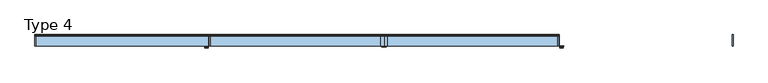
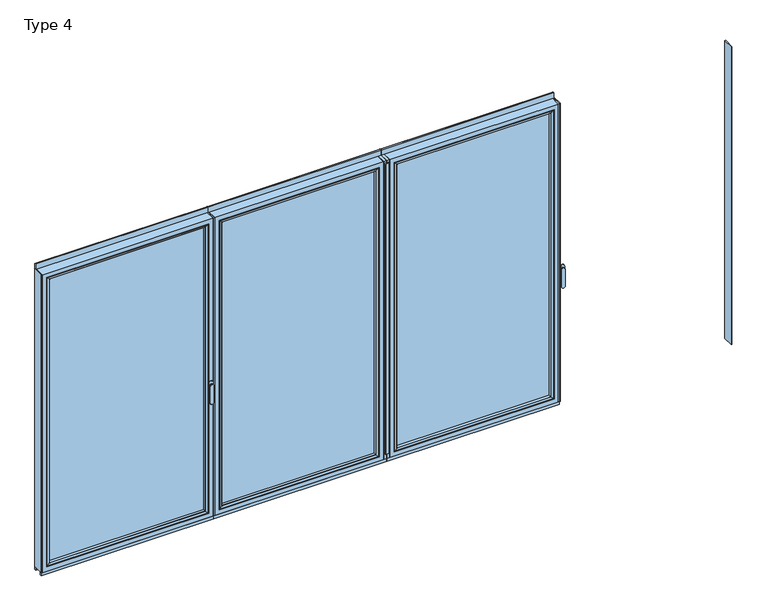
"""IFC4 building model written with IfcOpenShell, lengths in millimetres: window geometry, Type 4."""

from ifc_helpers import new_model, si_unit, point, frame, frame_2d, origin, place, context, project, spatial, polyline, circle_curve, ellipse_curve, trimmed, segment, composite_curve, outline, extrude, source, transform, mapped, element, save
from ifc_brep_helpers import plane_surface, cylinder_surface, extruded_surface, advanced_brep


def type_4_c70332df(model_context):
    return source(origin(), model_context, "Body", "SolidModel", [
        extrude(outline(polyline([(-1252.9999629, 20.0), (-1246.9999629, 20.0), (-1246.9999629, -60.0), (-1252.9999629, -60.0), (-1252.9999629, 20.0)])), frame((0.0, 0.0, 37.5), z_axis=(0.0, 0.0, 1.0), x_axis=(1.0, 0.0, 0.0)), (0.0, 0.0, 1.0), 2286.5),
        extrude(outline(polyline([(3.71e-05, 20.0), (3.71e-05, -60.0), (-22.4999629, -60.0), (-22.4999629, 20.0), (3.71e-05, 20.0)])), frame((0.0, 0.0, 37.5), z_axis=(0.0, 0.0, 1.0), x_axis=(1.0, 0.0, 0.0)), (0.0, 0.0, 1.0), 2286.5),
        advanced_brep(
        [(-1246.9999629, -60.0, 2324.0), (-1246.9999629, 20.0, 2324.0), (-1246.9999629, 20.0, 37.5), (-1246.9999629, -60.0, 37.5), (-22.4999629, 20.0, 37.5), (-22.4999629, -60.0, 37.5), (-22.4999629, 20.0, 2324.0), (-67.9995921, 20.0, 82.9996293), (-67.9995921, 20.0, 2278.5003707), (-1201.5003336, 20.0, 2278.5003707), (-1201.5003336, 20.0, 82.9996293), (-22.4999629, -60.0, 2324.0), (-1214.9999629, -60.0, 69.5), (-1214.9999629, -60.0, 2292.0), (-54.4999629, -60.0, 2292.0), (-54.4999629, -60.0, 69.5), (-1214.9999629, 3.9999997, 2292.0), (-1214.9999629, 3.9999997, 69.5), (-54.4999629, 3.9999997, 69.5), (-54.4999629, 3.9999997, 2292.0), (-1196.9999509, 3.9999997, 87.500012), (-1196.9999509, 3.9999997, 2273.999988), (-72.4999748, 3.9999997, 2273.999988), (-72.4999748, 3.9999997, 87.500012), (-1196.9999509, 15.4995565, 2273.999988), (-1196.9999509, 15.4995565, 87.500012), (-72.4999748, 15.4995565, 87.500012), (-72.4999748, 15.4995565, 2273.999988)],
        [
            (0, 1),
            (1, 2),
            (2, 3),
            (3, 0),
            (2, 4),
            (4, 5),
            (5, 3),
            (1, 6),
            (6, 4),
            (7, 8),
            (8, 9),
            (9, 10),
            (10, 7),
            (6, 11),
            (11, 5),
            (11, 0),
            (12, 13),
            (13, 14),
            (14, 15),
            (15, 12),
            (16, 13),
            (12, 17),
            (17, 16),
            (15, 18),
            (18, 17),
            (14, 19),
            (19, 18),
            (19, 16),
            (20, 21),
            (21, 22),
            (22, 23),
            (23, 20),
            (24, 21),
            (20, 25),
            (25, 24),
            (23, 26),
            (26, 25),
            (22, 27),
            (27, 26),
            (10, 25, ellipse_curve(frame((-1201.5003336, 15.4995565, 82.9996293), z_axis=(0.7071067811865475, 0.0, -0.7071067811865475), x_axis=(-0.7071067811865476, 0.0, -0.7071067811865474)), 6.3645023, 4.5003827)),
            (26, 7, ellipse_curve(frame((-67.9995921, 15.4995565, 82.9996293), z_axis=(-0.7071067811865475, 0.0, -0.7071067811865475), x_axis=(-0.7071067811865476, 0.0, 0.7071067811865474)), 6.3645023, 4.5003827)),
            (9, 24, ellipse_curve(frame((-1201.5003336, 15.4995565, 2278.5003707), z_axis=(-0.7071067811865475, 0.0, -0.7071067811865475), x_axis=(-0.7071067811865474, 0.0, 0.7071067811865476)), 6.3645023, 4.5003827)),
            (27, 8, ellipse_curve(frame((-67.9995921, 15.4995565, 2278.5003707), z_axis=(0.7071067811865475, 0.0, -0.7071067811865475), x_axis=(-0.7071067811865474, 0.0, -0.7071067811865476)), 6.3645023, 4.5003827)),
            (24, 27),
        ],
        [
            plane_surface(frame((-1246.9999629, 20.0, 2324.0), z_axis=(-1.0, 0.0, 0.0), x_axis=(0.0, 0.0, -1.0))),
            plane_surface(frame((-1246.9999629, 20.0, 37.5), z_axis=(0.0, 0.0, -1.0), x_axis=(1.0, 0.0, 0.0))),
            plane_surface(frame((-1201.5003336, 20.0, 2278.5003707), z_axis=(0.0, 1.0, 0.0), x_axis=(0.0, 0.0, -1.0))),
            plane_surface(frame((-22.4999629, 20.0, 37.5), z_axis=(1.0, 0.0, 0.0), x_axis=(0.0, 0.0, 1.0))),
            plane_surface(frame((-1246.9999629, -60.0, 2324.0), z_axis=(0.0, -1.0, 0.0), x_axis=(0.0, 0.0, -1.0))),
            plane_surface(frame((-1214.9999629, -60.0, 2292.0), z_axis=(1.0, 0.0, 0.0), x_axis=(0.0, 0.0, -1.0))),
            plane_surface(frame((-1214.9999629, -60.0, 69.5), z_axis=(0.0, 0.0, 1.0), x_axis=(1.0, 0.0, 0.0))),
            plane_surface(frame((-54.4999629, -60.0, 69.5), z_axis=(-1.0, 0.0, 0.0), x_axis=(0.0, 0.0, 1.0))),
            plane_surface(frame((-1214.9999629, 3.9999997, 2292.0), z_axis=(0.0, -1.0, 0.0), x_axis=(0.0, 0.0, -1.0))),
            plane_surface(frame((-1196.9999509, 3.9999997, 2273.999988), z_axis=(1.0, 0.0, 0.0), x_axis=(0.0, 0.0, -1.0))),
            plane_surface(frame((-1196.9999509, 3.9999997, 87.500012), z_axis=(0.0, 0.0, 1.0), x_axis=(1.0, 0.0, 0.0))),
            plane_surface(frame((-72.4999748, 3.9999997, 87.500012), z_axis=(-1.0, 0.0, 0.0), x_axis=(0.0, 0.0, 1.0))),
            cylinder_surface(frame((-1252.9999629, 15.4995565, 82.9996293), z_axis=(-1.0, 0.0, 0.0), x_axis=(0.0, -1.0, 0.0)), 4.5003827),
            cylinder_surface(frame((-1201.5003336, 15.4995565, 2330.0), z_axis=(0.0, 0.0, 1.0), x_axis=(0.0, -1.0, 0.0)), 4.5003827),
            cylinder_surface(frame((-67.9995921, 15.4995565, 31.5), z_axis=(0.0, 0.0, -1.0), x_axis=(0.0, -1.0, 0.0)), 4.5003827),
            plane_surface(frame((-22.4999629, 20.0, 2324.0), z_axis=(0.0, 0.0, 1.0), x_axis=(-1.0, 0.0, 0.0))),
            plane_surface(frame((-54.4999629, -60.0, 2292.0), z_axis=(0.0, 0.0, -1.0), x_axis=(-1.0, 0.0, 0.0))),
            plane_surface(frame((-72.4999748, 3.9999997, 2273.999988), z_axis=(0.0, 0.0, -1.0), x_axis=(-1.0, 0.0, 0.0))),
            cylinder_surface(frame((-16.4999629, 15.4995565, 2278.5003707), z_axis=(1.0, 0.0, 0.0), x_axis=(0.0, -1.0, 0.0)), 4.5003827),
        ],
        [
            (0, [[1, 2, 3, 4]]),
            (1, [[-3, 5, 6, 7]]),
            (2, [[-2, 8, 9, -5], [10, 11, 12, 13]]),
            (3, [[-6, -9, 14, 15]]),
            (4, [[-15, 16, -4, -7], [17, 18, 19, 20]]),
            (5, [[21, -17, 22, 23]]),
            (6, [[-22, -20, 24, 25]]),
            (7, [[-24, -19, 26, 27]]),
            (8, [[-27, 28, -23, -25], [29, 30, 31, 32]]),
            (9, [[33, -29, 34, 35]]),
            (10, [[-34, -32, 36, 37]]),
            (11, [[-36, -31, 38, 39]]),
            (12, [[40, -37, 41, -13]]),
            (13, [[42, -35, -40, -12]]),
            (14, [[-41, -39, 43, -10]]),
            (15, [[-14, -8, -1, -16]]),
            (16, [[-26, -18, -21, -28]]),
            (17, [[-38, -30, -33, 44]]),
            (18, [[-43, -44, -42, -11]]),
        ],
    ),
        extrude(outline(polyline([(-1214.9996457, 3.9999997), (-54.50028, 3.9999997), (-54.50028, -34.0000003), (-1214.9996457, -34.0000003), (-1214.9996457, 3.9999997)])), frame((0.0, 0.0, 69.5003172), z_axis=(0.0, 0.0, 1.0), x_axis=(1.0, 0.0, 0.0)), (0.0, 0.0, 1.0), 2222.4993657),
        advanced_brep(
        [(-76.4998528, -54.5552044, 2270.0001101), (-76.4998528, -34.0000003, 2270.0001101), (-76.4998528, -34.0000003, 91.4998899), (-76.4998528, -54.5552044, 91.4998899), (-54.50028, -34.0000003, 2291.9996828), (-54.50028, -34.0000003, 69.5003172), (-1214.9996457, -34.0000003, 69.5003172), (-1214.9996457, -34.0000003, 2291.9996828), (-1193.000073, -34.0000003, 2270.0001101), (-1193.000073, -34.0000003, 91.4998899), (-1193.000073, -54.5552044, 91.4998899), (-75.7903094, -55.8045072, 2270.7096535), (-75.7903094, -55.8045072, 90.7903465), (-1193.7096164, -55.8045072, 90.7903465), (-60.500219, -60.0, 2285.9997439), (-60.500219, -60.0, 75.5002561), (-1208.9997067, -60.0, 75.5002561), (-1214.9996457, -60.0, 2291.9996828), (-1214.9996457, -60.0, 69.5003172), (-54.50028, -60.0, 69.5003172), (-54.50028, -60.0, 2291.9996828), (-1208.9997067, -60.0, 2285.9997439), (-1193.000073, -54.5552044, 2270.0001101), (-1193.7096164, -55.8045072, 2270.7096535)],
        [
            (0, 1),
            (1, 2),
            (2, 3),
            (3, 0),
            (4, 5),
            (5, 6),
            (6, 7),
            (7, 4),
            (8, 9),
            (9, 2),
            (1, 8),
            (9, 10),
            (10, 3),
            (11, 0, ellipse_curve(frame((-75.0452488, -54.5552044, 2271.4547141), z_axis=(0.7071067811865475, 0.0, -0.7071067811865475), x_axis=(0.7071067811865474, 0.0, 0.7071067811865476)), 2.0571207, 1.454604)),
            (3, 12, ellipse_curve(frame((-75.0452488, -54.5552044, 90.0452859), z_axis=(0.7071067811865475, 0.0, 0.7071067811865475), x_axis=(-0.7071067811865474, 0.0, 0.7071067811865476)), 2.0571207, 1.454604)),
            (12, 11),
            (10, 13, ellipse_curve(frame((-1194.4546769, -54.5552044, 90.0452859), z_axis=(0.7071067811865475, 0.0, -0.7071067811865475), x_axis=(0.7071067811865476, 0.0, 0.7071067811865474)), 2.0571207, 1.454604)),
            (13, 12),
            (14, 11, ellipse_curve(frame((-60.5641546, -30.2735922, 2285.9358083), z_axis=(0.7071067811865475, 0.0, -0.7071067811865475), x_axis=(0.7071067811865474, 0.0, 0.7071067811865476)), 42.0395863, 29.7264765)),
            (12, 15, ellipse_curve(frame((-60.5641546, -30.2735922, 75.5641917), z_axis=(0.7071067811865475, 0.0, 0.7071067811865475), x_axis=(-0.7071067811865474, 0.0, 0.7071067811865476)), 42.0395863, 29.7264765)),
            (15, 14),
            (13, 16, ellipse_curve(frame((-1208.9357711, -30.2735922, 75.5641917), z_axis=(0.7071067811865475, 0.0, -0.7071067811865475), x_axis=(0.7071067811865476, 0.0, 0.7071067811865474)), 42.0395863, 29.7264765)),
            (16, 15),
            (17, 18),
            (18, 19),
            (19, 20),
            (20, 17),
            (16, 21),
            (21, 14),
            (4, 20),
            (19, 5),
            (18, 6),
            (8, 22),
            (22, 10),
            (22, 23, ellipse_curve(frame((-1194.4546769, -54.5552044, 2271.4547141), z_axis=(-0.7071067811865475, 0.0, -0.7071067811865475), x_axis=(0.7071067811865474, 0.0, -0.7071067811865476)), 2.0571207, 1.454604)),
            (23, 13),
            (23, 21, ellipse_curve(frame((-1208.9357711, -30.2735922, 2285.9358083), z_axis=(-0.7071067811865475, 0.0, -0.7071067811865475), x_axis=(0.7071067811865474, 0.0, -0.7071067811865476)), 42.0395863, 29.7264765)),
            (17, 7),
            (0, 22),
            (11, 23),
        ],
        [
            plane_surface(frame((-76.4998528, -34.0000003, 2270.0001101), z_axis=(-1.0, 0.0, 0.0), x_axis=(0.0, 0.0, -1.0))),
            plane_surface(frame((-1214.9996457, -34.0000003, 69.5003172), z_axis=(0.0, 1.0, 0.0), x_axis=(0.0, 0.0, 1.0))),
            plane_surface(frame((-76.4998528, -34.0000003, 91.4998899), z_axis=(0.0, 0.0, 1.0), x_axis=(-1.0, 0.0, 0.0))),
            cylinder_surface(frame((-75.0452488, -54.5552044, 2273.999988), z_axis=(0.0, 0.0, 1.0), x_axis=(1.0, 0.0, 0.0)), 1.454604),
            cylinder_surface(frame((-72.4999748, -54.5552044, 90.0452859), z_axis=(1.0, 0.0, 0.0), x_axis=(0.0, 0.0, -1.0)), 1.454604),
            cylinder_surface(frame((-60.5641546, -30.2735922, 2273.999988), z_axis=(0.0, 0.0, 1.0), x_axis=(1.0, 0.0, 0.0)), 29.7264765),
            cylinder_surface(frame((-72.4999748, -30.2735922, 75.5641917), z_axis=(1.0, 0.0, 0.0), x_axis=(0.0, 0.0, -1.0)), 29.7264765),
            plane_surface(frame((-1208.9997067, -60.0, 75.5002561), z_axis=(0.0, -1.0, 0.0), x_axis=(0.0, 0.0, 1.0))),
            plane_surface(frame((-54.50028, -60.0, 2291.9996828), z_axis=(1.0, 0.0, 0.0), x_axis=(0.0, 0.0, -1.0))),
            plane_surface(frame((-54.50028, -60.0, 69.5003172), z_axis=(0.0, 0.0, -1.0), x_axis=(-1.0, 0.0, 0.0))),
            plane_surface(frame((-1193.000073, -34.0000003, 91.4998899), z_axis=(1.0, 0.0, 0.0), x_axis=(0.0, 0.0, 1.0))),
            cylinder_surface(frame((-1194.4546769, -54.5552044, 87.500012), z_axis=(0.0, 0.0, -1.0), x_axis=(-1.0, 0.0, 0.0)), 1.454604),
            cylinder_surface(frame((-1208.9357711, -30.2735922, 87.500012), z_axis=(0.0, 0.0, -1.0), x_axis=(-1.0, 0.0, 0.0)), 29.7264765),
            plane_surface(frame((-1214.9996457, -60.0, 69.5003172), z_axis=(-1.0, 0.0, 0.0), x_axis=(0.0, 0.0, 1.0))),
            plane_surface(frame((-1193.000073, -34.0000003, 2270.0001101), z_axis=(0.0, 0.0, -1.0), x_axis=(1.0, 0.0, 0.0))),
            cylinder_surface(frame((-1196.9999509, -54.5552044, 2271.4547141), z_axis=(-1.0, 0.0, 0.0), x_axis=(0.0, 0.0, 1.0)), 1.454604),
            cylinder_surface(frame((-1196.9999509, -30.2735922, 2285.9358083), z_axis=(-1.0, 0.0, 0.0), x_axis=(0.0, 0.0, 1.0)), 29.7264765),
            plane_surface(frame((-1214.9996457, -60.0, 2291.9996828), z_axis=(0.0, 0.0, 1.0), x_axis=(1.0, 0.0, 0.0))),
        ],
        [
            (0, [[1, 2, 3, 4]]),
            (1, [[5, 6, 7, 8], [9, 10, -2, 11]]),
            (2, [[-3, -10, 12, 13]]),
            (3, [[14, -4, 15, 16]]),
            (4, [[-15, -13, 17, 18]]),
            (5, [[19, -16, 20, 21]]),
            (6, [[-20, -18, 22, 23]]),
            (7, [[24, 25, 26, 27], [-21, -23, 28, 29]]),
            (8, [[30, -26, 31, -5]]),
            (9, [[-31, -25, 32, -6]]),
            (10, [[-12, -9, 33, 34]]),
            (11, [[-17, -34, 35, 36]]),
            (12, [[-22, -36, 37, -28]]),
            (13, [[-32, -24, 38, -7]]),
            (14, [[-33, -11, -1, 39]]),
            (15, [[-35, -39, -14, 40]]),
            (16, [[-37, -40, -19, -29]]),
            (17, [[-38, -27, -30, -8]]),
        ],
    ),
        extrude(outline(composite_curve([segment(polyline([(20.0, 2362.5), (20.0, 2324.0), (10.0, 2324.0), (10.0, 2365.0), (17.5, 2365.0)]), True, "CONTINUOUS"), segment(trimmed(circle_curve(frame_2d((17.5, 2362.5)), 2.5), [point((17.5, 2365.0))], [point((20.0, 2362.5))], False, "CARTESIAN"), True, "CONTINUOUS")], self_intersect=False)), frame((-1252.9999629, 0.0, 0.0), z_axis=(1.0, 0.0, 0.0), x_axis=(0.0, 1.0, 0.0)), (0.0, 0.0, 1.0), 1253.0),
        extrude(outline(polyline([(3.71e-05, 20.0), (3.71e-05, 10.0), (-1252.9999629, 10.0), (-1252.9999629, 20.0), (3.71e-05, 20.0)])), frame((0.0, 0.0, 15.5), z_axis=(0.0, 0.0, 1.0), x_axis=(1.0, 0.0, 0.0)), (0.0, 0.0, 1.0), 22.0),
        extrude(outline(polyline([(3.71e-05, -50.0), (3.71e-05, -60.0), (-1252.9999629, -60.0), (-1252.9999629, -50.0), (3.71e-05, -50.0)])), frame((0.0, 0.0, 15.5), z_axis=(0.0, 0.0, 1.0), x_axis=(1.0, 0.0, 0.0)), (0.0, 0.0, 1.0), 22.0),
        extrude(outline(composite_curve([segment(polyline([(15.5000124, -60.0), (15.5000124, -67.5)]), True, "CONTINUOUS"), segment(trimmed(circle_curve(frame_2d((13.0000124, -67.5)), 2.5), [point((15.5000124, -67.5))], [point((13.0000124, -70.0))], False, "CARTESIAN"), True, "CONTINUOUS"), segment(polyline([(13.0000124, -70.0), (-12.9999876, -70.0)]), True, "CONTINUOUS"), segment(trimmed(circle_curve(frame_2d((-12.9999876, -67.5)), 2.5), [point((-12.9999876, -70.0))], [point((-15.4999876, -67.5))], False, "CARTESIAN"), True, "CONTINUOUS"), segment(polyline([(-15.4999876, -67.5), (-15.4999876, -60.0), (15.5000124, -60.0)]), True, "CONTINUOUS")], self_intersect=False)), frame((0.0, 0.0, 80.0), z_axis=(0.0, 0.0, 1.0), x_axis=(1.0, 0.0, 0.0)), (0.0, 0.0, 1.0), 2230.0),
        extrude(outline(polyline([(1253.0000124, 20.0), (1253.0000124, -60.0), (1247.0000124, -60.0), (1247.0000124, 20.0), (1253.0000124, 20.0)])), frame((0.0, 0.0, 37.5), z_axis=(0.0, 0.0, 1.0), x_axis=(1.0, 0.0, 0.0)), (0.0, 0.0, 1.0), 2286.5),
        extrude(outline(polyline([(1.24e-05, 20.0), (22.5000124, 20.0), (22.5000124, -60.0), (1.24e-05, -60.0), (1.24e-05, 20.0)])), frame((0.0, 0.0, 37.5), z_axis=(0.0, 0.0, 1.0), x_axis=(1.0, 0.0, 0.0)), (0.0, 0.0, 1.0), 2286.5),
        advanced_brep(
        [(1247.0000124, -60.0, 2324.0), (1247.0000124, -60.0, 37.5), (1247.0000124, 20.0, 37.5), (1247.0000124, 20.0, 2324.0), (22.5000124, -60.0, 37.5), (22.5000124, 20.0, 37.5), (22.5000124, 20.0, 2324.0), (67.9996416, 20.0, 82.9996293), (1201.5003831, 20.0, 82.9996293), (1201.5003831, 20.0, 2278.5003707), (67.9996416, 20.0, 2278.5003707), (22.5000124, -60.0, 2324.0), (1215.0000124, -60.0, 69.5), (54.5000124, -60.0, 69.5), (54.5000124, -60.0, 2292.0), (1215.0000124, -60.0, 2292.0), (1215.0000124, 3.9999997, 2292.0), (1215.0000124, 3.9999997, 69.5), (54.5000124, 3.9999997, 69.5), (54.5000124, 3.9999997, 2292.0), (1197.0000004, 3.9999997, 87.500012), (72.5000243, 3.9999997, 87.500012), (72.5000243, 3.9999997, 2273.999988), (1197.0000004, 3.9999997, 2273.999988), (1197.0000004, 15.4995565, 2273.999988), (1197.0000004, 15.4995565, 87.500012), (72.5000243, 15.4995565, 87.500012), (72.5000243, 15.4995565, 2273.999988)],
        [
            (0, 1),
            (1, 2),
            (2, 3),
            (3, 0),
            (1, 4),
            (4, 5),
            (5, 2),
            (5, 6),
            (6, 3),
            (7, 8),
            (8, 9),
            (9, 10),
            (10, 7),
            (4, 11),
            (11, 6),
            (0, 11),
            (12, 13),
            (13, 14),
            (14, 15),
            (15, 12),
            (16, 17),
            (17, 12),
            (15, 16),
            (17, 18),
            (18, 13),
            (18, 19),
            (19, 14),
            (16, 19),
            (20, 21),
            (21, 22),
            (22, 23),
            (23, 20),
            (24, 25),
            (25, 20),
            (23, 24),
            (25, 26),
            (26, 21),
            (26, 27),
            (27, 22),
            (7, 26, ellipse_curve(frame((67.9996416, 15.4995565, 82.9996293), z_axis=(0.7071067811865475, 0.0, -0.7071067811865475), x_axis=(0.7071067811865476, 0.0, 0.7071067811865474)), 6.3645023, 4.5003827)),
            (25, 8, ellipse_curve(frame((1201.5003831, 15.4995565, 82.9996293), z_axis=(-0.7071067811865475, 0.0, -0.7071067811865475), x_axis=(0.7071067811865476, 0.0, -0.7071067811865474)), 6.3645023, 4.5003827)),
            (24, 9, ellipse_curve(frame((1201.5003831, 15.4995565, 2278.5003707), z_axis=(0.7071067811865475, 0.0, -0.7071067811865475), x_axis=(0.7071067811865474, 0.0, 0.7071067811865476)), 6.3645023, 4.5003827)),
            (10, 27, ellipse_curve(frame((67.9996416, 15.4995565, 2278.5003707), z_axis=(-0.7071067811865475, 0.0, -0.7071067811865475), x_axis=(0.7071067811865474, 0.0, -0.7071067811865476)), 6.3645023, 4.5003827)),
            (27, 24),
        ],
        [
            plane_surface(frame((1247.0000124, 20.0, 2324.0), z_axis=(1.0, 0.0, 0.0), x_axis=(0.0, 0.0, -1.0))),
            plane_surface(frame((1247.0000124, 20.0, 37.5), z_axis=(0.0, 0.0, -1.0), x_axis=(-1.0, 0.0, 0.0))),
            plane_surface(frame((1201.5003831, 20.0, 2278.5003707), z_axis=(0.0, 1.0, 0.0), x_axis=(0.0, 0.0, -1.0))),
            plane_surface(frame((22.5000124, 20.0, 37.5), z_axis=(-1.0, 0.0, 0.0), x_axis=(0.0, 0.0, 1.0))),
            plane_surface(frame((1247.0000124, -60.0, 2324.0), z_axis=(0.0, -1.0, 0.0), x_axis=(0.0, 0.0, -1.0))),
            plane_surface(frame((1215.0000124, -60.0, 2292.0), z_axis=(-1.0, 0.0, 0.0), x_axis=(0.0, 0.0, -1.0))),
            plane_surface(frame((1215.0000124, -60.0, 69.5), z_axis=(0.0, 0.0, 1.0), x_axis=(-1.0, 0.0, 0.0))),
            plane_surface(frame((54.5000124, -60.0, 69.5), z_axis=(1.0, 0.0, 0.0), x_axis=(0.0, 0.0, 1.0))),
            plane_surface(frame((1215.0000124, 3.9999997, 2292.0), z_axis=(0.0, -1.0, 0.0), x_axis=(0.0, 0.0, -1.0))),
            plane_surface(frame((1197.0000004, 3.9999997, 2273.999988), z_axis=(-1.0, 0.0, 0.0), x_axis=(0.0, 0.0, -1.0))),
            plane_surface(frame((1197.0000004, 3.9999997, 87.500012), z_axis=(0.0, 0.0, 1.0), x_axis=(-1.0, 0.0, 0.0))),
            plane_surface(frame((72.5000243, 3.9999997, 87.500012), z_axis=(1.0, 0.0, 0.0), x_axis=(0.0, 0.0, 1.0))),
            cylinder_surface(frame((1253.0000124, 15.4995565, 82.9996293), z_axis=(1.0, 0.0, 0.0), x_axis=(0.0, -1.0, 0.0)), 4.5003827),
            cylinder_surface(frame((1201.5003831, 15.4995565, 2330.0), z_axis=(0.0, 0.0, 1.0), x_axis=(0.0, -1.0, 0.0)), 4.5003827),
            cylinder_surface(frame((67.9996416, 15.4995565, 31.5), z_axis=(0.0, 0.0, -1.0), x_axis=(0.0, -1.0, 0.0)), 4.5003827),
            plane_surface(frame((22.5000124, 20.0, 2324.0), z_axis=(0.0, 0.0, 1.0), x_axis=(1.0, 0.0, 0.0))),
            plane_surface(frame((54.5000124, -60.0, 2292.0), z_axis=(0.0, 0.0, -1.0), x_axis=(1.0, 0.0, 0.0))),
            plane_surface(frame((72.5000243, 3.9999997, 2273.999988), z_axis=(0.0, 0.0, -1.0), x_axis=(1.0, 0.0, 0.0))),
            cylinder_surface(frame((16.5000124, 15.4995565, 2278.5003707), z_axis=(-1.0, 0.0, 0.0), x_axis=(0.0, -1.0, 0.0)), 4.5003827),
        ],
        [
            (0, [[1, 2, 3, 4]]),
            (1, [[5, 6, 7, -2]]),
            (2, [[-7, 8, 9, -3], [10, 11, 12, 13]]),
            (3, [[14, 15, -8, -6]]),
            (4, [[-5, -1, 16, -14], [17, 18, 19, 20]]),
            (5, [[21, 22, -20, 23]]),
            (6, [[24, 25, -17, -22]]),
            (7, [[26, 27, -18, -25]]),
            (8, [[-24, -21, 28, -26], [29, 30, 31, 32]]),
            (9, [[33, 34, -32, 35]]),
            (10, [[36, 37, -29, -34]]),
            (11, [[38, 39, -30, -37]]),
            (12, [[-10, 40, -36, 41]]),
            (13, [[-11, -41, -33, 42]]),
            (14, [[-13, 43, -38, -40]]),
            (15, [[-16, -4, -9, -15]]),
            (16, [[-28, -23, -19, -27]]),
            (17, [[44, -35, -31, -39]]),
            (18, [[-12, -42, -44, -43]]),
        ],
    ),
        extrude(outline(polyline([(1214.9996952, 3.9999997), (1214.9996952, -34.0000003), (54.5003295, -34.0000003), (54.5003295, 3.9999997), (1214.9996952, 3.9999997)])), frame((0.0, 0.0, 69.5003172), z_axis=(0.0, 0.0, 1.0), x_axis=(1.0, 0.0, 0.0)), (0.0, 0.0, 1.0), 2222.4993657),
        advanced_brep(
        [(76.4999023, -54.5552044, 2270.0001101), (76.4999023, -54.5552044, 91.4998899), (76.4999023, -34.0000003, 91.4998899), (76.4999023, -34.0000003, 2270.0001101), (54.5003295, -34.0000003, 2291.9996828), (1214.9996952, -34.0000003, 2291.9996828), (1214.9996952, -34.0000003, 69.5003172), (54.5003295, -34.0000003, 69.5003172), (1193.0001225, -34.0000003, 2270.0001101), (1193.0001225, -34.0000003, 91.4998899), (1193.0001225, -54.5552044, 91.4998899), (75.7903589, -55.8045072, 2270.7096535), (75.7903589, -55.8045072, 90.7903465), (1193.7096659, -55.8045072, 90.7903465), (60.5002685, -60.0, 2285.9997439), (60.5002685, -60.0, 75.5002561), (1208.9997563, -60.0, 75.5002561), (1214.9996952, -60.0, 2291.9996828), (54.5003295, -60.0, 2291.9996828), (54.5003295, -60.0, 69.5003172), (1214.9996952, -60.0, 69.5003172), (1208.9997563, -60.0, 2285.9997439), (1193.0001225, -54.5552044, 2270.0001101), (1193.7096659, -55.8045072, 2270.7096535)],
        [
            (0, 1),
            (1, 2),
            (2, 3),
            (3, 0),
            (4, 5),
            (5, 6),
            (6, 7),
            (7, 4),
            (8, 3),
            (2, 9),
            (9, 8),
            (1, 10),
            (10, 9),
            (11, 12),
            (12, 1, ellipse_curve(frame((75.0452983, -54.5552044, 90.0452859), z_axis=(-0.7071067811865475, 0.0, 0.7071067811865475), x_axis=(0.7071067811865474, 0.0, 0.7071067811865476)), 2.0571207, 1.454604)),
            (0, 11, ellipse_curve(frame((75.0452983, -54.5552044, 2271.4547141), z_axis=(-0.7071067811865475, 0.0, -0.7071067811865475), x_axis=(-0.7071067811865474, 0.0, 0.7071067811865476)), 2.0571207, 1.454604)),
            (12, 13),
            (13, 10, ellipse_curve(frame((1194.4547264, -54.5552044, 90.0452859), z_axis=(-0.7071067811865475, 0.0, -0.7071067811865475), x_axis=(-0.7071067811865476, 0.0, 0.7071067811865474)), 2.0571207, 1.454604)),
            (14, 15),
            (15, 12, ellipse_curve(frame((60.5642041, -30.2735922, 75.5641917), z_axis=(-0.7071067811865475, 0.0, 0.7071067811865475), x_axis=(0.7071067811865474, 0.0, 0.7071067811865476)), 42.0395863, 29.7264765)),
            (11, 14, ellipse_curve(frame((60.5642041, -30.2735922, 2285.9358083), z_axis=(-0.7071067811865475, 0.0, -0.7071067811865475), x_axis=(-0.7071067811865474, 0.0, 0.7071067811865476)), 42.0395863, 29.7264765)),
            (15, 16),
            (16, 13, ellipse_curve(frame((1208.9358207, -30.2735922, 75.5641917), z_axis=(-0.7071067811865475, 0.0, -0.7071067811865475), x_axis=(-0.7071067811865476, 0.0, 0.7071067811865474)), 42.0395863, 29.7264765)),
            (17, 18),
            (18, 19),
            (19, 20),
            (20, 17),
            (14, 21),
            (21, 16),
            (7, 19),
            (18, 4),
            (6, 20),
            (10, 22),
            (22, 8),
            (13, 23),
            (23, 22, ellipse_curve(frame((1194.4547264, -54.5552044, 2271.4547141), z_axis=(0.7071067811865475, 0.0, -0.7071067811865475), x_axis=(-0.7071067811865474, 0.0, -0.7071067811865476)), 2.0571207, 1.454604)),
            (21, 23, ellipse_curve(frame((1208.9358207, -30.2735922, 2285.9358083), z_axis=(0.7071067811865475, 0.0, -0.7071067811865475), x_axis=(-0.7071067811865474, 0.0, -0.7071067811865476)), 42.0395863, 29.7264765)),
            (5, 17),
            (22, 0),
            (23, 11),
        ],
        [
            plane_surface(frame((76.4999023, -34.0000003, 2270.0001101), z_axis=(1.0, 0.0, 0.0), x_axis=(0.0, 0.0, -1.0))),
            plane_surface(frame((1214.9996952, -34.0000003, 69.5003172), z_axis=(0.0, 1.0, 0.0), x_axis=(0.0, 0.0, 1.0))),
            plane_surface(frame((76.4999023, -34.0000003, 91.4998899), z_axis=(0.0, 0.0, 1.0), x_axis=(1.0, 0.0, 0.0))),
            cylinder_surface(frame((75.0452983, -54.5552044, 2273.999988), z_axis=(0.0, 0.0, 1.0), x_axis=(-1.0, 0.0, 0.0)), 1.454604),
            cylinder_surface(frame((72.5000243, -54.5552044, 90.0452859), z_axis=(-1.0, 0.0, 0.0), x_axis=(0.0, 0.0, -1.0)), 1.454604),
            cylinder_surface(frame((60.5642041, -30.2735922, 2273.999988), z_axis=(0.0, 0.0, 1.0), x_axis=(-1.0, 0.0, 0.0)), 29.7264765),
            cylinder_surface(frame((72.5000243, -30.2735922, 75.5641917), z_axis=(-1.0, 0.0, 0.0), x_axis=(0.0, 0.0, -1.0)), 29.7264765),
            plane_surface(frame((1208.9997563, -60.0, 75.5002561), z_axis=(0.0, -1.0, 0.0), x_axis=(0.0, 0.0, 1.0))),
            plane_surface(frame((54.5003295, -60.0, 2291.9996828), z_axis=(-1.0, 0.0, 0.0), x_axis=(0.0, 0.0, -1.0))),
            plane_surface(frame((54.5003295, -60.0, 69.5003172), z_axis=(0.0, 0.0, -1.0), x_axis=(1.0, 0.0, 0.0))),
            plane_surface(frame((1193.0001225, -34.0000003, 91.4998899), z_axis=(-1.0, 0.0, 0.0), x_axis=(0.0, 0.0, 1.0))),
            cylinder_surface(frame((1194.4547264, -54.5552044, 87.500012), z_axis=(0.0, 0.0, -1.0), x_axis=(1.0, 0.0, 0.0)), 1.454604),
            cylinder_surface(frame((1208.9358207, -30.2735922, 87.500012), z_axis=(0.0, 0.0, -1.0), x_axis=(1.0, 0.0, 0.0)), 29.7264765),
            plane_surface(frame((1214.9996952, -60.0, 69.5003172), z_axis=(1.0, 0.0, 0.0), x_axis=(0.0, 0.0, 1.0))),
            plane_surface(frame((1193.0001225, -34.0000003, 2270.0001101), z_axis=(0.0, 0.0, -1.0), x_axis=(-1.0, 0.0, 0.0))),
            cylinder_surface(frame((1197.0000004, -54.5552044, 2271.4547141), z_axis=(1.0, 0.0, 0.0), x_axis=(0.0, 0.0, 1.0)), 1.454604),
            cylinder_surface(frame((1197.0000004, -30.2735922, 2285.9358083), z_axis=(1.0, 0.0, 0.0), x_axis=(0.0, 0.0, 1.0)), 29.7264765),
            plane_surface(frame((1214.9996952, -60.0, 2291.9996828), z_axis=(0.0, 0.0, 1.0), x_axis=(-1.0, 0.0, 0.0))),
        ],
        [
            (0, [[1, 2, 3, 4]]),
            (1, [[5, 6, 7, 8], [9, -3, 10, 11]]),
            (2, [[12, 13, -10, -2]]),
            (3, [[14, 15, -1, 16]]),
            (4, [[17, 18, -12, -15]]),
            (5, [[19, 20, -14, 21]]),
            (6, [[22, 23, -17, -20]]),
            (7, [[24, 25, 26, 27], [28, 29, -22, -19]]),
            (8, [[-8, 30, -25, 31]]),
            (9, [[-7, 32, -26, -30]]),
            (10, [[33, 34, -11, -13]]),
            (11, [[35, 36, -33, -18]]),
            (12, [[-29, 37, -35, -23]]),
            (13, [[-6, 38, -27, -32]]),
            (14, [[39, -4, -9, -34]]),
            (15, [[40, -16, -39, -36]]),
            (16, [[-28, -21, -40, -37]]),
            (17, [[-5, -31, -24, -38]]),
        ],
    ),
        extrude(outline(composite_curve([segment(polyline([(20.0, 2362.5), (20.0, 2324.0), (10.0, 2324.0), (10.0, 2365.0), (17.5, 2365.0)]), True, "CONTINUOUS"), segment(trimmed(circle_curve(frame_2d((17.5, 2362.5)), 2.5), [point((17.5, 2365.0))], [point((20.0, 2362.5))], False, "CARTESIAN"), True, "CONTINUOUS")], self_intersect=False)), frame((1.24e-05, 0.0, 0.0), z_axis=(1.0, 0.0, 0.0), x_axis=(0.0, 1.0, 0.0)), (0.0, 0.0, 1.0), 1253.0),
        extrude(outline(polyline([(1.24e-05, 20.0), (1253.0000124, 20.0), (1253.0000124, 10.0), (1.24e-05, 10.0), (1.24e-05, 20.0)])), frame((0.0, 0.0, 15.5), z_axis=(0.0, 0.0, 1.0), x_axis=(1.0, 0.0, 0.0)), (0.0, 0.0, 1.0), 22.0),
        extrude(outline(polyline([(1.24e-05, -50.0), (1253.0000124, -50.0), (1253.0000124, -60.0), (1.24e-05, -60.0), (1.24e-05, -50.0)])), frame((0.0, 0.0, 15.5), z_axis=(0.0, 0.0, 1.0), x_axis=(1.0, 0.0, 0.0)), (0.0, 0.0, 1.0), 22.0),
        advanced_brep(
        [(-1286.9885813, -63.5, 1050.0), (-1263.0113197, -63.5, 1050.0), (-1263.0113197, -66.8965533, 1050.0), (-1286.9885813, -66.8965533, 1050.0), (-1286.9885813, -74.5, 1050.0), (-1286.9885813, -74.5, 918.6867153), (-1263.0113197, -74.5, 918.6867153), (-1263.0113197, -74.5, 1050.0), (-1263.0113197, -66.8965533, 918.6867153), (-1286.9885813, -66.8965533, 918.6867153)],
        [
            (0, 1, circle_curve(frame((-1274.9999505, -63.5, 1050.0), z_axis=(0.0, 1.0, 0.0), x_axis=(1.0, 0.0, 0.0)), 11.9886308)),
            (1, 0, circle_curve(frame((-1274.9999505, -63.5, 1050.0), z_axis=(0.0, 1.0, 0.0), x_axis=(1.0, 0.0, 0.0)), 11.9886308)),
            (1, 2),
            (2, 3, circle_curve(frame((-1274.9999505, -66.8965533, 1050.0), z_axis=(0.0, 1.0, 0.0), x_axis=(1.0, 0.0, 0.0)), 11.9886308)),
            (3, 0),
            (3, 2, circle_curve(frame((-1274.9999505, -66.8965533, 1050.0), z_axis=(0.0, 1.0, 0.0), x_axis=(1.0, 0.0, 0.0)), 11.9886308)),
            (4, 5),
            (5, 6, ellipse_curve(frame((-1274.9999505, -74.5, 918.6867153), z_axis=(0.0, -1.0, 0.0), x_axis=(-1.0, 0.0, 0.0)), 11.9886308, 7.9050795)),
            (6, 7),
            (7, 4, circle_curve(frame((-1274.9999505, -74.5, 1050.0), z_axis=(0.0, -1.0, 0.0), x_axis=(1.0, 0.0, 0.0)), 11.9886308)),
            (2, 8),
            (8, 9, ellipse_curve(frame((-1274.9999505, -66.8965533, 918.6867153), z_axis=(0.0, 1.0, 0.0), x_axis=(-1.0, 0.0, 0.0)), 11.9886308, 7.9050795)),
            (9, 3),
            (4, 3),
            (9, 5),
            (8, 6),
            (2, 7),
        ],
        [
            plane_surface(frame((-1263.0113197, -63.5, 1050.0), z_axis=(0.0, 1.0, 0.0), x_axis=(0.0, 0.0, -1.0))),
            cylinder_surface(frame((-1274.9999505, -63.5, 1050.0), z_axis=(0.0, -1.0, 0.0), x_axis=(1.0, 0.0, 0.0)), 11.9886308),
            plane_surface(frame((-1286.9885813, -74.5, 928.3382074), z_axis=(0.0, -1.0, 0.0), x_axis=(0.0, 0.0, -1.0))),
            plane_surface(frame((-1286.9885813, -66.8965533, 928.3382074), z_axis=(0.0, 1.0, 0.0), x_axis=(0.0, 0.0, 1.0))),
            plane_surface(frame((-1286.9885813, -74.5, 1050.0), z_axis=(-1.0, 0.0, 0.0), x_axis=(0.0, 1.0, 0.0))),
            extruded_surface(trimmed(ellipse_curve(frame((-1274.9999505, -59.2931066, 918.6867153), z_axis=(0.0, -1.0, 0.0), x_axis=(-1.0, 0.0, 0.0)), 11.9886308, 7.9050795), [point((-1286.9885813, -59.2931066, 918.6867153))], [point((-1263.0113197, -59.2931066, 918.6867153))], True, "CARTESIAN"), (0.0, -7.603446699999992, 0.0), 7.603446699999992),
            plane_surface(frame((-1263.0113197, -74.5, 918.6867153), z_axis=(1.0, 0.0, 0.0), x_axis=(0.0, 1.0, 0.0))),
            cylinder_surface(frame((-1274.9999505, -66.8965533, 1050.0), z_axis=(0.0, -1.0, 0.0), x_axis=(1.0, 0.0, 0.0)), 11.9886308),
        ],
        [
            (0, [[1, 2]]),
            (1, [[-2, 3, 4, 5]]),
            (1, [[-1, -5, 6, -3]]),
            (2, [[7, 8, 9, 10]]),
            (3, [[11, 12, 13, -4]]),
            (4, [[-7, 14, -13, 15]]),
            (5, [[-8, -15, -12, 16]]),
            (6, [[-9, -16, -11, 17]]),
            (7, [[-10, -17, -6, -14]]),
        ],
    ),
        extrude(outline(composite_curve([segment(polyline([(1068.75, -1288.9999505), (1031.25, -1288.9999505)]), True, "CONTINUOUS"), segment(trimmed(circle_curve(frame_2d((1031.25, -1274.9999505)), 14.0), [point((1031.25, -1288.9999505))], [point((1031.25, -1260.9999505))], False, "CARTESIAN"), True, "CONTINUOUS"), segment(polyline([(1031.25, -1260.9999505), (1068.75, -1260.9999505)]), True, "CONTINUOUS"), segment(trimmed(circle_curve(frame_2d((1068.75, -1274.9999505)), 14.0), [point((1068.75, -1260.9999505))], [point((1068.75, -1288.9999505))], False, "CARTESIAN"), True, "CONTINUOUS")], self_intersect=False)), frame((0.0, -63.5, 0.0), z_axis=(0.0, 1.0, 0.0), x_axis=(0.0, 0.0, 1.0)), (0.0, 0.0, 1.0), 3.5),
        extrude(outline(polyline([(-2505.9999505, 20.0), (-2499.9999505, 20.0), (-2499.9999505, -60.0), (-2505.9999505, -60.0), (-2505.9999505, 20.0)])), frame((0.0, 0.0, 37.5), z_axis=(0.0, 0.0, 1.0), x_axis=(1.0, 0.0, 0.0)), (0.0, 0.0, 1.0), 2286.5),
        extrude(outline(polyline([(-1252.9999505, 20.0), (-1252.9999505, -60.0), (-1258.9999505, -60.0), (-1258.9999505, 20.0), (-1252.9999505, 20.0)])), frame((0.0, 0.0, 37.5), z_axis=(0.0, 0.0, 1.0), x_axis=(1.0, 0.0, 0.0)), (0.0, 0.0, 1.0), 2286.5),
        advanced_brep(
        [(-2499.9999505, -60.0, 2324.0), (-2499.9999505, 20.0, 2324.0), (-2499.9999505, 20.0, 37.5), (-2499.9999505, -60.0, 37.5), (-1258.9999505, 20.0, 37.5), (-1258.9999505, -60.0, 37.5), (-1258.9999505, 20.0, 2324.0), (-1304.4995798, 20.0, 82.9996293), (-1304.4995798, 20.0, 2278.5003707), (-2454.5003212, 20.0, 2278.5003707), (-2454.5003212, 20.0, 82.9996293), (-1258.9999505, -60.0, 2324.0), (-2467.9999505, -60.0, 69.5), (-2467.9999505, -60.0, 2292.0), (-1290.9999505, -60.0, 2292.0), (-1290.9999505, -60.0, 69.5), (-2467.9999505, 3.9999997, 2292.0), (-2467.9999505, 3.9999997, 69.5), (-1290.9999505, 3.9999997, 69.5), (-1290.9999505, 3.9999997, 2292.0), (-2449.9999385, 3.9999997, 87.500012), (-2449.9999385, 3.9999997, 2273.999988), (-1308.9999624, 3.9999997, 2273.999988), (-1308.9999624, 3.9999997, 87.500012), (-2449.9999385, 15.4995565, 2273.999988), (-2449.9999385, 15.4995565, 87.500012), (-1308.9999624, 15.4995565, 87.500012), (-1308.9999624, 15.4995565, 2273.999988)],
        [
            (0, 1),
            (1, 2),
            (2, 3),
            (3, 0),
            (2, 4),
            (4, 5),
            (5, 3),
            (1, 6),
            (6, 4),
            (7, 8),
            (8, 9),
            (9, 10),
            (10, 7),
            (6, 11),
            (11, 5),
            (11, 0),
            (12, 13),
            (13, 14),
            (14, 15),
            (15, 12),
            (16, 13),
            (12, 17),
            (17, 16),
            (15, 18),
            (18, 17),
            (14, 19),
            (19, 18),
            (19, 16),
            (20, 21),
            (21, 22),
            (22, 23),
            (23, 20),
            (24, 21),
            (20, 25),
            (25, 24),
            (23, 26),
            (26, 25),
            (22, 27),
            (27, 26),
            (10, 25, ellipse_curve(frame((-2454.5003212, 15.4995565, 82.9996293), z_axis=(0.7071067811865475, 0.0, -0.7071067811865475), x_axis=(-0.7071067811865476, 0.0, -0.7071067811865474)), 6.3645023, 4.5003827)),
            (26, 7, ellipse_curve(frame((-1304.4995798, 15.4995565, 82.9996293), z_axis=(-0.7071067811865475, 0.0, -0.7071067811865475), x_axis=(-0.7071067811865476, 0.0, 0.7071067811865474)), 6.3645023, 4.5003827)),
            (9, 24, ellipse_curve(frame((-2454.5003212, 15.4995565, 2278.5003707), z_axis=(-0.7071067811865475, 0.0, -0.7071067811865475), x_axis=(-0.7071067811865474, 0.0, 0.7071067811865476)), 6.3645023, 4.5003827)),
            (27, 8, ellipse_curve(frame((-1304.4995798, 15.4995565, 2278.5003707), z_axis=(0.7071067811865475, 0.0, -0.7071067811865475), x_axis=(-0.7071067811865474, 0.0, -0.7071067811865476)), 6.3645023, 4.5003827)),
            (24, 27),
        ],
        [
            plane_surface(frame((-2499.9999505, 20.0, 2324.0), z_axis=(-1.0, 0.0, 0.0), x_axis=(0.0, 0.0, -1.0))),
            plane_surface(frame((-2499.9999505, 20.0, 37.5), z_axis=(0.0, 0.0, -1.0), x_axis=(1.0, 0.0, 0.0))),
            plane_surface(frame((-2454.5003212, 20.0, 2278.5003707), z_axis=(0.0, 1.0, 0.0), x_axis=(0.0, 0.0, -1.0))),
            plane_surface(frame((-1258.9999505, 20.0, 37.5), z_axis=(1.0, 0.0, 0.0), x_axis=(0.0, 0.0, 1.0))),
            plane_surface(frame((-2499.9999505, -60.0, 2324.0), z_axis=(0.0, -1.0, 0.0), x_axis=(0.0, 0.0, -1.0))),
            plane_surface(frame((-2467.9999505, -60.0, 2292.0), z_axis=(1.0, 0.0, 0.0), x_axis=(0.0, 0.0, -1.0))),
            plane_surface(frame((-2467.9999505, -60.0, 69.5), z_axis=(0.0, 0.0, 1.0), x_axis=(1.0, 0.0, 0.0))),
            plane_surface(frame((-1290.9999505, -60.0, 69.5), z_axis=(-1.0, 0.0, 0.0), x_axis=(0.0, 0.0, 1.0))),
            plane_surface(frame((-2467.9999505, 3.9999997, 2292.0), z_axis=(0.0, -1.0, 0.0), x_axis=(0.0, 0.0, -1.0))),
            plane_surface(frame((-2449.9999385, 3.9999997, 2273.999988), z_axis=(1.0, 0.0, 0.0), x_axis=(0.0, 0.0, -1.0))),
            plane_surface(frame((-2449.9999385, 3.9999997, 87.500012), z_axis=(0.0, 0.0, 1.0), x_axis=(1.0, 0.0, 0.0))),
            plane_surface(frame((-1308.9999624, 3.9999997, 87.500012), z_axis=(-1.0, 0.0, 0.0), x_axis=(0.0, 0.0, 1.0))),
            cylinder_surface(frame((-2505.9999505, 15.4995565, 82.9996293), z_axis=(-1.0, 0.0, 0.0), x_axis=(0.0, -1.0, 0.0)), 4.5003827),
            cylinder_surface(frame((-2454.5003212, 15.4995565, 2330.0), z_axis=(0.0, 0.0, 1.0), x_axis=(0.0, -1.0, 0.0)), 4.5003827),
            cylinder_surface(frame((-1304.4995798, 15.4995565, 31.5), z_axis=(0.0, 0.0, -1.0), x_axis=(0.0, -1.0, 0.0)), 4.5003827),
            plane_surface(frame((-1258.9999505, 20.0, 2324.0), z_axis=(0.0, 0.0, 1.0), x_axis=(-1.0, 0.0, 0.0))),
            plane_surface(frame((-1290.9999505, -60.0, 2292.0), z_axis=(0.0, 0.0, -1.0), x_axis=(-1.0, 0.0, 0.0))),
            plane_surface(frame((-1308.9999624, 3.9999997, 2273.999988), z_axis=(0.0, 0.0, -1.0), x_axis=(-1.0, 0.0, 0.0))),
            cylinder_surface(frame((-1252.9999505, 15.4995565, 2278.5003707), z_axis=(1.0, 0.0, 0.0), x_axis=(0.0, -1.0, 0.0)), 4.5003827),
        ],
        [
            (0, [[1, 2, 3, 4]]),
            (1, [[-3, 5, 6, 7]]),
            (2, [[-2, 8, 9, -5], [10, 11, 12, 13]]),
            (3, [[-6, -9, 14, 15]]),
            (4, [[-15, 16, -4, -7], [17, 18, 19, 20]]),
            (5, [[21, -17, 22, 23]]),
            (6, [[-22, -20, 24, 25]]),
            (7, [[-24, -19, 26, 27]]),
            (8, [[-27, 28, -23, -25], [29, 30, 31, 32]]),
            (9, [[33, -29, 34, 35]]),
            (10, [[-34, -32, 36, 37]]),
            (11, [[-36, -31, 38, 39]]),
            (12, [[40, -37, 41, -13]]),
            (13, [[42, -35, -40, -12]]),
            (14, [[-41, -39, 43, -10]]),
            (15, [[-14, -8, -1, -16]]),
            (16, [[-26, -18, -21, -28]]),
            (17, [[-38, -30, -33, 44]]),
            (18, [[-43, -44, -42, -11]]),
        ],
    ),
        extrude(outline(polyline([(-2467.9996333, 3.9999997), (-1291.0002676, 3.9999997), (-1291.0002676, -34.0000003), (-2467.9996333, -34.0000003), (-2467.9996333, 3.9999997)])), frame((0.0, 0.0, 69.5003172), z_axis=(0.0, 0.0, 1.0), x_axis=(1.0, 0.0, 0.0)), (0.0, 0.0, 1.0), 2222.4993657),
        advanced_brep(
        [(-1312.9998404, -54.5552044, 2270.0001101), (-1312.9998404, -34.0000003, 2270.0001101), (-1312.9998404, -34.0000003, 91.4998899), (-1312.9998404, -54.5552044, 91.4998899), (-1291.0002676, -34.0000003, 2291.9996828), (-1291.0002676, -34.0000003, 69.5003172), (-2467.9996333, -34.0000003, 69.5003172), (-2467.9996333, -34.0000003, 2291.9996828), (-2446.0000606, -34.0000003, 2270.0001101), (-2446.0000606, -34.0000003, 91.4998899), (-2446.0000606, -54.5552044, 91.4998899), (-1312.290297, -55.8045072, 2270.7096535), (-1312.290297, -55.8045072, 90.7903465), (-2446.709604, -55.8045072, 90.7903465), (-1297.0002066, -60.0, 2285.9997439), (-1297.0002066, -60.0, 75.5002561), (-2461.9996944, -60.0, 75.5002561), (-2467.9996333, -60.0, 2291.9996828), (-2467.9996333, -60.0, 69.5003172), (-1291.0002676, -60.0, 69.5003172), (-1291.0002676, -60.0, 2291.9996828), (-2461.9996944, -60.0, 2285.9997439), (-2446.0000606, -54.5552044, 2270.0001101), (-2446.709604, -55.8045072, 2270.7096535)],
        [
            (0, 1),
            (1, 2),
            (2, 3),
            (3, 0),
            (4, 5),
            (5, 6),
            (6, 7),
            (7, 4),
            (8, 9),
            (9, 2),
            (1, 8),
            (9, 10),
            (10, 3),
            (11, 0, ellipse_curve(frame((-1311.5452364, -54.5552044, 2271.4547141), z_axis=(0.7071067811865475, 0.0, -0.7071067811865475), x_axis=(0.7071067811865474, 0.0, 0.7071067811865476)), 2.0571207, 1.454604)),
            (3, 12, ellipse_curve(frame((-1311.5452364, -54.5552044, 90.0452859), z_axis=(0.7071067811865475, 0.0, 0.7071067811865475), x_axis=(-0.7071067811865474, 0.0, 0.7071067811865476)), 2.0571207, 1.454604)),
            (12, 11),
            (10, 13, ellipse_curve(frame((-2447.4546645, -54.5552044, 90.0452859), z_axis=(0.7071067811865475, 0.0, -0.7071067811865475), x_axis=(0.7071067811865476, 0.0, 0.7071067811865474)), 2.0571207, 1.454604)),
            (13, 12),
            (14, 11, ellipse_curve(frame((-1297.0641422, -30.2735922, 2285.9358083), z_axis=(0.7071067811865475, 0.0, -0.7071067811865475), x_axis=(0.7071067811865474, 0.0, 0.7071067811865476)), 42.0395863, 29.7264765)),
            (12, 15, ellipse_curve(frame((-1297.0641422, -30.2735922, 75.5641917), z_axis=(0.7071067811865475, 0.0, 0.7071067811865475), x_axis=(-0.7071067811865474, 0.0, 0.7071067811865476)), 42.0395863, 29.7264765)),
            (15, 14),
            (13, 16, ellipse_curve(frame((-2461.9357588, -30.2735922, 75.5641917), z_axis=(0.7071067811865475, 0.0, -0.7071067811865475), x_axis=(0.7071067811865476, 0.0, 0.7071067811865474)), 42.0395863, 29.7264765)),
            (16, 15),
            (17, 18),
            (18, 19),
            (19, 20),
            (20, 17),
            (16, 21),
            (21, 14),
            (4, 20),
            (19, 5),
            (18, 6),
            (8, 22),
            (22, 10),
            (22, 23, ellipse_curve(frame((-2447.4546645, -54.5552044, 2271.4547141), z_axis=(-0.7071067811865475, 0.0, -0.7071067811865475), x_axis=(0.7071067811865474, 0.0, -0.7071067811865476)), 2.0571207, 1.454604)),
            (23, 13),
            (23, 21, ellipse_curve(frame((-2461.9357588, -30.2735922, 2285.9358083), z_axis=(-0.7071067811865475, 0.0, -0.7071067811865475), x_axis=(0.7071067811865474, 0.0, -0.7071067811865476)), 42.0395863, 29.7264765)),
            (17, 7),
            (0, 22),
            (11, 23),
        ],
        [
            plane_surface(frame((-1312.9998404, -34.0000003, 2270.0001101), z_axis=(-1.0, 0.0, 0.0), x_axis=(0.0, 0.0, -1.0))),
            plane_surface(frame((-2467.9996333, -34.0000003, 69.5003172), z_axis=(0.0, 1.0, 0.0), x_axis=(0.0, 0.0, 1.0))),
            plane_surface(frame((-1312.9998404, -34.0000003, 91.4998899), z_axis=(0.0, 0.0, 1.0), x_axis=(-1.0, 0.0, 0.0))),
            cylinder_surface(frame((-1311.5452364, -54.5552044, 2273.999988), z_axis=(0.0, 0.0, 1.0), x_axis=(1.0, 0.0, 0.0)), 1.454604),
            cylinder_surface(frame((-1308.9999624, -54.5552044, 90.0452859), z_axis=(1.0, 0.0, 0.0), x_axis=(0.0, 0.0, -1.0)), 1.454604),
            cylinder_surface(frame((-1297.0641422, -30.2735922, 2273.999988), z_axis=(0.0, 0.0, 1.0), x_axis=(1.0, 0.0, 0.0)), 29.7264765),
            cylinder_surface(frame((-1308.9999624, -30.2735922, 75.5641917), z_axis=(1.0, 0.0, 0.0), x_axis=(0.0, 0.0, -1.0)), 29.7264765),
            plane_surface(frame((-2461.9996944, -60.0, 75.5002561), z_axis=(0.0, -1.0, 0.0), x_axis=(0.0, 0.0, 1.0))),
            plane_surface(frame((-1291.0002676, -60.0, 2291.9996828), z_axis=(1.0, 0.0, 0.0), x_axis=(0.0, 0.0, -1.0))),
            plane_surface(frame((-1291.0002676, -60.0, 69.5003172), z_axis=(0.0, 0.0, -1.0), x_axis=(-1.0, 0.0, 0.0))),
            plane_surface(frame((-2446.0000606, -34.0000003, 91.4998899), z_axis=(1.0, 0.0, 0.0), x_axis=(0.0, 0.0, 1.0))),
            cylinder_surface(frame((-2447.4546645, -54.5552044, 87.500012), z_axis=(0.0, 0.0, -1.0), x_axis=(-1.0, 0.0, 0.0)), 1.454604),
            cylinder_surface(frame((-2461.9357588, -30.2735922, 87.500012), z_axis=(0.0, 0.0, -1.0), x_axis=(-1.0, 0.0, 0.0)), 29.7264765),
            plane_surface(frame((-2467.9996333, -60.0, 69.5003172), z_axis=(-1.0, 0.0, 0.0), x_axis=(0.0, 0.0, 1.0))),
            plane_surface(frame((-2446.0000606, -34.0000003, 2270.0001101), z_axis=(0.0, 0.0, -1.0), x_axis=(1.0, 0.0, 0.0))),
            cylinder_surface(frame((-2449.9999385, -54.5552044, 2271.4547141), z_axis=(-1.0, 0.0, 0.0), x_axis=(0.0, 0.0, 1.0)), 1.454604),
            cylinder_surface(frame((-2449.9999385, -30.2735922, 2285.9358083), z_axis=(-1.0, 0.0, 0.0), x_axis=(0.0, 0.0, 1.0)), 29.7264765),
            plane_surface(frame((-2467.9996333, -60.0, 2291.9996828), z_axis=(0.0, 0.0, 1.0), x_axis=(1.0, 0.0, 0.0))),
        ],
        [
            (0, [[1, 2, 3, 4]]),
            (1, [[5, 6, 7, 8], [9, 10, -2, 11]]),
            (2, [[-3, -10, 12, 13]]),
            (3, [[14, -4, 15, 16]]),
            (4, [[-15, -13, 17, 18]]),
            (5, [[19, -16, 20, 21]]),
            (6, [[-20, -18, 22, 23]]),
            (7, [[24, 25, 26, 27], [-21, -23, 28, 29]]),
            (8, [[30, -26, 31, -5]]),
            (9, [[-31, -25, 32, -6]]),
            (10, [[-12, -9, 33, 34]]),
            (11, [[-17, -34, 35, 36]]),
            (12, [[-22, -36, 37, -28]]),
            (13, [[-32, -24, 38, -7]]),
            (14, [[-33, -11, -1, 39]]),
            (15, [[-35, -39, -14, 40]]),
            (16, [[-37, -40, -19, -29]]),
            (17, [[-38, -27, -30, -8]]),
        ],
    ),
        extrude(outline(composite_curve([segment(polyline([(20.0, 2362.5), (20.0, 2324.0), (10.0, 2324.0), (10.0, 2365.0), (17.5, 2365.0)]), True, "CONTINUOUS"), segment(trimmed(circle_curve(frame_2d((17.5, 2362.5)), 2.5), [point((17.5, 2365.0))], [point((20.0, 2362.5))], False, "CARTESIAN"), True, "CONTINUOUS")], self_intersect=False)), frame((-2505.9999505, 0.0, 0.0), z_axis=(1.0, 0.0, 0.0), x_axis=(0.0, 1.0, 0.0)), (0.0, 0.0, 1.0), 1253.0),
        extrude(outline(polyline([(-1252.9999505, 20.0), (-1252.9999505, 10.0), (-2505.9999505, 10.0), (-2505.9999505, 20.0), (-1252.9999505, 20.0)])), frame((0.0, 0.0, 15.5), z_axis=(0.0, 0.0, 1.0), x_axis=(1.0, 0.0, 0.0)), (0.0, 0.0, 1.0), 22.0),
        extrude(outline(polyline([(-1252.9999505, -50.0), (-1252.9999505, -60.0), (-2505.9999505, -60.0), (-2505.9999505, -50.0), (-1252.9999505, -50.0)])), frame((0.0, 0.0, 15.5), z_axis=(0.0, 0.0, 1.0), x_axis=(1.0, 0.0, 0.0)), (0.0, 0.0, 1.0), 22.0),
        advanced_brep(
        [(1286.9886308, -63.5, 1050.0), (1263.0113692, -63.5, 1050.0), (1286.9886308, -66.8965533, 1050.0), (1263.0113692, -66.8965533, 1050.0), (1286.9886308, -74.5, 1050.0), (1263.0113692, -74.5, 1050.0), (1263.0113692, -74.5, 918.6867153), (1286.9886308, -74.5, 918.6867153), (1286.9886308, -66.8965533, 918.6867153), (1263.0113692, -66.8965533, 918.6867153)],
        [
            (0, 1, circle_curve(frame((1275.0, -63.5, 1050.0), z_axis=(0.0, 1.0, 0.0), x_axis=(-1.0, 0.0, 0.0)), 11.9886308)),
            (1, 0, circle_curve(frame((1275.0, -63.5, 1050.0), z_axis=(0.0, 1.0, 0.0), x_axis=(-1.0, 0.0, 0.0)), 11.9886308)),
            (0, 2),
            (2, 3, circle_curve(frame((1275.0, -66.8965533, 1050.0), z_axis=(0.0, 1.0, 0.0), x_axis=(-1.0, 0.0, 0.0)), 11.9886308)),
            (3, 1),
            (3, 2, circle_curve(frame((1275.0, -66.8965533, 1050.0), z_axis=(0.0, 1.0, 0.0), x_axis=(-1.0, 0.0, 0.0)), 11.9886308)),
            (4, 5, circle_curve(frame((1275.0, -74.5, 1050.0), z_axis=(0.0, -1.0, 0.0), x_axis=(-1.0, 0.0, 0.0)), 11.9886308)),
            (5, 6),
            (6, 7, ellipse_curve(frame((1275.0, -74.5, 918.6867153), z_axis=(0.0, -1.0, 0.0), x_axis=(1.0, 0.0, 0.0)), 11.9886308, 7.9050795)),
            (7, 4),
            (2, 8),
            (8, 9, ellipse_curve(frame((1275.0, -66.8965533, 918.6867153), z_axis=(0.0, 1.0, 0.0), x_axis=(1.0, 0.0, 0.0)), 11.9886308, 7.9050795)),
            (9, 3),
            (7, 8),
            (2, 4),
            (6, 9),
            (5, 3),
        ],
        [
            plane_surface(frame((1263.0113692, -63.5, 1050.0), z_axis=(0.0, 1.0, 0.0), x_axis=(0.0, 0.0, -1.0))),
            cylinder_surface(frame((1275.0, -63.5, 1050.0), z_axis=(0.0, -1.0, 0.0), x_axis=(-1.0, 0.0, 0.0)), 11.9886308),
            plane_surface(frame((1286.9886308, -74.5, 928.3382074), z_axis=(0.0, -1.0, 0.0), x_axis=(0.0, 0.0, -1.0))),
            plane_surface(frame((1286.9886308, -66.8965533, 928.3382074), z_axis=(0.0, 1.0, 0.0), x_axis=(0.0, 0.0, 1.0))),
            plane_surface(frame((1286.9886308, -74.5, 1050.0), z_axis=(1.0, 0.0, 0.0), x_axis=(0.0, 1.0, 0.0))),
            extruded_surface(trimmed(ellipse_curve(frame((1275.0, -66.8965533, 918.6867153), z_axis=(0.0, 1.0, 0.0), x_axis=(1.0, 0.0, 0.0)), 11.9886308, 7.9050795), [point((1286.9886308, -66.8965533, 918.6867153))], [point((1263.0113692, -66.8965533, 918.6867153))], True, "CARTESIAN"), (0.0, 7.603446699999992, 0.0), 7.603446699999992),
            plane_surface(frame((1263.0113692, -74.5, 918.6867153), z_axis=(-1.0, 0.0, 0.0), x_axis=(0.0, 1.0, 0.0))),
            cylinder_surface(frame((1275.0, -66.8965533, 1050.0), z_axis=(0.0, -1.0, 0.0), x_axis=(-1.0, 0.0, 0.0)), 11.9886308),
        ],
        [
            (0, [[1, 2]]),
            (1, [[3, 4, 5, -1]]),
            (1, [[-5, 6, -3, -2]]),
            (2, [[7, 8, 9, 10]]),
            (3, [[-4, 11, 12, 13]]),
            (4, [[14, -11, 15, -10]]),
            (5, [[16, -12, -14, -9]]),
            (6, [[17, -13, -16, -8]]),
            (7, [[-15, -6, -17, -7]]),
        ],
    ),
        extrude(outline(composite_curve([segment(trimmed(circle_curve(frame_2d((1068.75, 1275.0)), 14.0), [point((1068.75, 1289.0))], [point((1068.75, 1261.0))], False, "CARTESIAN"), True, "CONTINUOUS"), segment(polyline([(1068.75, 1261.0), (1031.25, 1261.0)]), True, "CONTINUOUS"), segment(trimmed(circle_curve(frame_2d((1031.25, 1275.0)), 14.0), [point((1031.25, 1261.0))], [point((1031.25, 1289.0))], False, "CARTESIAN"), True, "CONTINUOUS"), segment(polyline([(1031.25, 1289.0), (1068.75, 1289.0)]), True, "CONTINUOUS")], self_intersect=False)), frame((0.0, -63.5, 0.0), z_axis=(0.0, 1.0, 0.0), x_axis=(0.0, 0.0, 1.0)), (0.0, 0.0, 1.0), 3.5),
        extrude(outline(polyline([(2506.0, 20.0), (2506.0, -60.0), (2500.0, -60.0), (2500.0, 20.0), (2506.0, 20.0)])), frame((0.0, 0.0, 37.5), z_axis=(0.0, 0.0, 1.0), x_axis=(1.0, 0.0, 0.0)), (0.0, 0.0, 1.0), 2286.5),
        extrude(outline(polyline([(1253.0, 20.0), (1259.0, 20.0), (1259.0, -60.0), (1253.0, -60.0), (1253.0, 20.0)])), frame((0.0, 0.0, 37.5), z_axis=(0.0, 0.0, 1.0), x_axis=(1.0, 0.0, 0.0)), (0.0, 0.0, 1.0), 2286.5),
    ])


if __name__ == "__main__":
    model = new_model("IFC4")
    model_context = context("Model", 3, world=origin())
    ifc_project = project(units=[si_unit("LENGTHUNIT", "METRE", prefix="MILLI")], contexts=[model_context])
    site = spatial("IfcSite", under=ifc_project)
    building = spatial("IfcBuilding", under=site)
    placement = place(None, origin())
    type_4_shape = type_4_c70332df(model_context)
    element("IfcWindow", 1, ObjectType="Type 4", at=placement, inside=building, context=model_context, shape_type="MappedRepresentation", body=[
        mapped(type_4_shape, transform((0.0, 0.0, 0.0), x_axis=(1.0, 0.0, 0.0), y_axis=(0.0, 1.0, 0.0), z_axis=(0.0, 0.0, 1.0))),
    ])
    save(model, "model.ifc")
